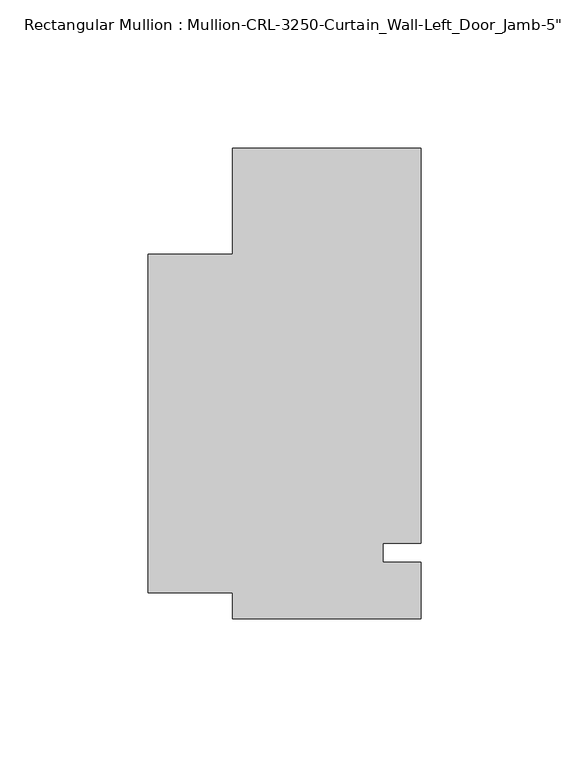
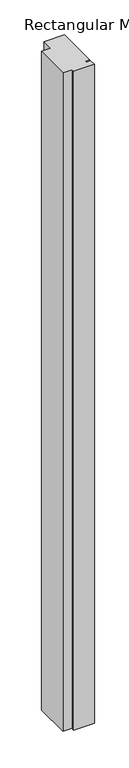
"""IFC4 building model written with IfcOpenShell, lengths in millimetres: member geometry."""

from ifc_helpers import new_model, si_unit, frame, origin, place, context, project, spatial, polyline, outline, extrude, source, transform, mapped, element, save


def member_aa1d2ec4(model_context):
    return source(origin(), model_context, "Body", "SweptSolid", [
        extrude(outline(polyline([(31.7499985, -3.175), (31.7499985, -22.2254168), (-31.7499985, -22.2254168), (-31.7499985, -13.4880538), (-60.326855, -13.4880538), (-60.326855, 100.8118372), (-31.7499985, 100.8118372), (-31.7499985, 136.5621671), (31.7499985, 136.5621671), (31.7499985, 3.175), (19.0499985, 3.175), (19.0499985, -3.175), (31.7499985, -3.175)])), frame((0.0, 0.0, -2146.3000015), z_axis=(0.0, 0.0, 1.0), x_axis=(1.0, 0.0, 0.0)), (0.0, 0.0, 1.0), 2146.3000015),
    ])


if __name__ == "__main__":
    model = new_model("IFC4")
    model_context = context("Model", 3, world=origin())
    ifc_project = project(units=[si_unit("LENGTHUNIT", "METRE", prefix="MILLI")], contexts=[model_context])
    site = spatial("IfcSite", under=ifc_project)
    building = spatial("IfcBuilding", under=site)
    placement = place(None, origin())
    member_shape = member_aa1d2ec4(model_context)
    element("IfcMember", 1, ObjectType="Rectangular Mullion : Mullion-CRL-3250-Curtain_Wall-Left_Door_Jamb-5\"", at=placement, inside=building, context=model_context, shape_type="MappedRepresentation", body=[
        mapped(member_shape, transform((0.0, 0.0, 0.0), x_axis=(1.0, 0.0, 0.0), y_axis=(0.0, 1.0, 0.0), z_axis=(0.0, 0.0, 1.0))),
    ])
    save(model, "model.ifc")
